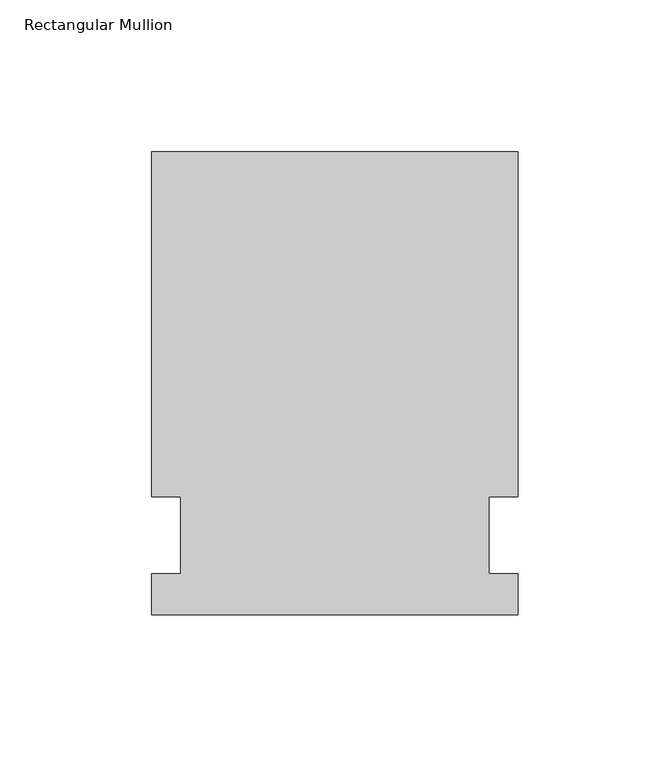
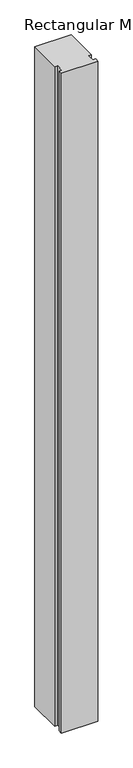
"""IFC4 building model written with IfcOpenShell, lengths in millimetres: member geometry, Rectangular Mullion."""

from ifc_helpers import new_model, si_unit, frame, origin, place, context, project, spatial, polyline, outline, extrude, source, transform, mapped, element, save


def rectangular_mullion_07843062(model_context):
    return source(origin(), model_context, "Body", "SweptSolid", [
        extrude(outline(polyline([(-60.325, -26.19375), (-60.325, -12.7), (-50.8, -12.7), (-50.8, 12.7), (-60.325, 12.7), (-60.325, 126.20625), (60.325, 126.20625), (60.325, 12.7), (50.8, 12.7), (50.8, -12.7), (60.325, -12.7), (60.325, -26.19375), (-60.325, -26.19375)])), frame((0.0, 0.0, -2311.4), z_axis=(0.0, 0.0, 1.0), x_axis=(1.0, 0.0, 0.0)), (0.0, 0.0, 1.0), 2311.4),
    ])


if __name__ == "__main__":
    model = new_model("IFC4")
    model_context = context("Model", 3, world=origin())
    ifc_project = project(units=[si_unit("LENGTHUNIT", "METRE", prefix="MILLI")], contexts=[model_context])
    site = spatial("IfcSite", under=ifc_project)
    building = spatial("IfcBuilding", under=site)
    placement = place(None, origin())
    rectangular_mullion_shape = rectangular_mullion_07843062(model_context)
    element("IfcMember", 1, ObjectType="Rectangular Mullion", at=placement, inside=building, context=model_context, shape_type="MappedRepresentation", body=[
        mapped(rectangular_mullion_shape, transform((0.0, 0.0, 0.0), x_axis=(1.0, 0.0, 0.0), y_axis=(0.0, 1.0, 0.0), z_axis=(0.0, 0.0, 1.0))),
    ])
    save(model, "model.ifc")
